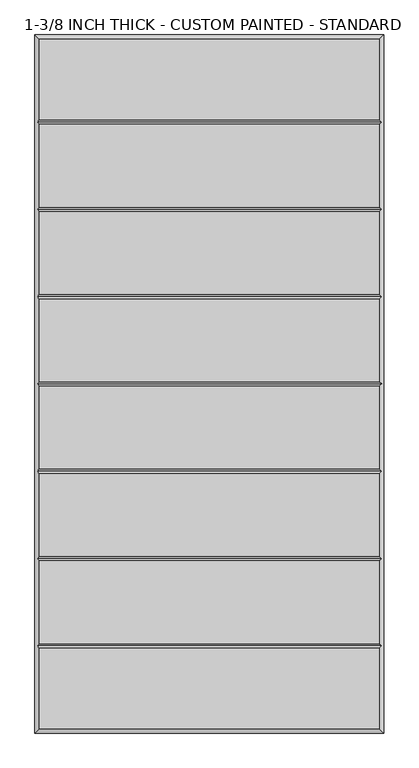
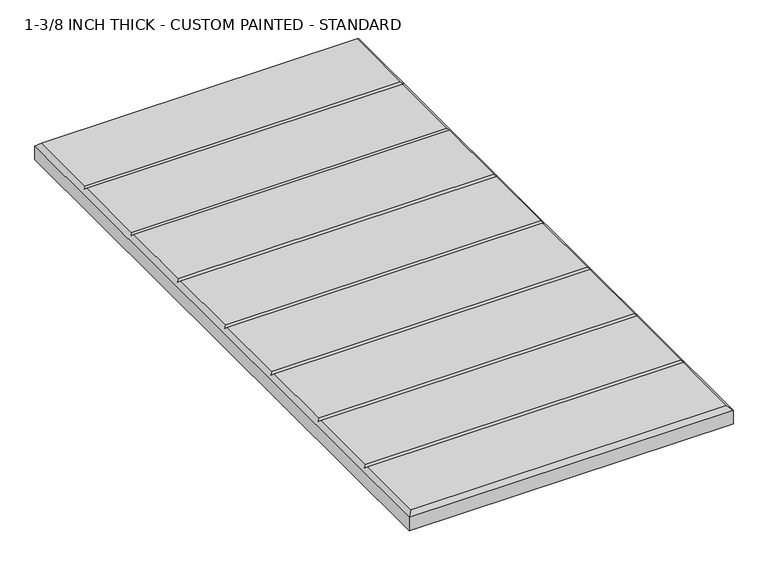
"""IFC4 building model written with IfcOpenShell, lengths in millimetres: proxy geometry, 1-3/8 INCH THICK - CUSTOM PAINTED - STANDARD."""

import ifcopenshell
import ifcopenshell.guid

model = None  # the IFC model being written
_history = None  # IfcOwnerHistory: only IFC2X3 demands one
_inside = {}  # id of a spatial element -> (the spatial element, [elements in it])
_under = {}  # id of a project, library or spatial element -> (it, [spatial elements below it])
_declared = {}  # id of a project -> (the project, [libraries it declares])
_typed = {}  # id of a type object -> (the type object, [elements of that type])
_made_of = {}  # id of a material, layer set ... -> (it, [elements and type objects made of it])


def new_model(schema):
    """Start an empty IFC model of exactly this schema.

    Asked for "IFC4X3", IfcOpenShell would pick the latest addendum, in which some entities
    have other attributes; the version numbers below select the first issue.
    IFC2X3 requires an IfcOwnerHistory on every rooted entity: one is made here for all.
    """
    global model, _history
    if schema == "IFC4X3":
        model = ifcopenshell.file(schema_version=(4, 3, 0, 0))
    else:
        model = ifcopenshell.file(schema=schema)
    _inside.clear()
    _under.clear()
    _declared.clear()
    _typed.clear()
    _made_of.clear()
    _history = None
    if model.schema == "IFC2X3":
        org = make("IfcOrganization", Name="unknown")
        user = make(
            "IfcPersonAndOrganization",
            ThePerson=make("IfcPerson", FamilyName="unknown"),
            TheOrganization=org,
        )
        app = make(
            "IfcApplication",
            ApplicationDeveloper=org,
            Version="unknown",
            ApplicationFullName="unknown",
            ApplicationIdentifier="unknown",
        )
        _history = make(
            "IfcOwnerHistory",
            OwningUser=user,
            OwningApplication=app,
            ChangeAction="ADDED",
            CreationDate=0,
        )
    return model


def make(cls, **values):
    """One entity of the class cls with the attributes given. An attribute that is None is left unset."""
    return model.create_entity(
        cls, **{name: value for name, value in values.items() if value is not None}
    )


def rooted(cls, **values):
    """An entity with a GlobalId (a new one), such as an element, a storey or a relation."""
    return make(cls, GlobalId=ifcopenshell.guid.new(), OwnerHistory=_history, **values)


def si_unit(unit_type, name, prefix=None):
    """IfcSIUnit, for example si_unit("LENGTHUNIT", "METRE", prefix="MILLI")."""
    return make("IfcSIUnit", UnitType=unit_type, Prefix=prefix, Name=name)


def assignment(units):
    """IfcUnitAssignment: the units of a project."""
    return None if units is None else make("IfcUnitAssignment", Units=units)


def point(xyz):
    """IfcCartesianPoint."""
    return None if xyz is None else make("IfcCartesianPoint", Coordinates=xyz)


def direction(xyz):
    """IfcDirection."""
    return None if xyz is None else make("IfcDirection", DirectionRatios=xyz)


def frame(location, z_axis=None, x_axis=None):
    """IfcAxis2Placement3D, a coordinate frame: its origin and axes. An axis left out is left unset."""
    return make(
        "IfcAxis2Placement3D",
        Location=point(location),
        Axis=direction(z_axis),
        RefDirection=direction(x_axis),
    )


def origin():
    """The frame at (0, 0, 0) with its axes left unset."""
    return frame((0.0, 0.0, 0.0))


def place(relative_to, where):
    """IfcLocalPlacement: puts the frame where relative to a parent placement (None: the world)."""
    return make(
        "IfcLocalPlacement", PlacementRelTo=relative_to, RelativePlacement=where
    )


def context(
    kind, dimensions, precision=None, world=None, true_north=None, identifier=None
):
    """IfcGeometricRepresentationContext, for example the 3D "Model" context."""
    return make(
        "IfcGeometricRepresentationContext",
        ContextIdentifier=identifier,
        ContextType=kind,
        CoordinateSpaceDimension=dimensions,
        Precision=precision,
        WorldCoordinateSystem=world,
        TrueNorth=true_north,
    )


def project(units=None, contexts=None):
    """IfcProject with its units and contexts."""
    return rooted(
        "IfcProject",
        Name="project",
        RepresentationContexts=contexts,
        UnitsInContext=assignment(units),
    )


def spatial(cls, under=None, at=None, **own):
    """A site, building, storey or space (cls), placed at a placement, below another one or the project."""
    s = rooted(cls, ObjectPlacement=at, **own)
    if under is not None:
        _under.setdefault(under.id(), (under, []))[1].append(s)
    return s


def faces_of(points, faces, orient=None, outer=None):
    """IfcFace entities. A face is a list of loops; a loop is a list of indices into points, from 0.

    orient and outer hold one flag for each loop. By default every Orientation is true, the
    first loop of a face is its IfcFaceOuterBound and the others are IfcFaceBound.
    """
    made = []
    for i, loops in enumerate(faces):
        bounds = []
        for j, loop in enumerate(loops):
            is_outer = j == 0 if outer is None else outer[i][j]
            bounds.append(
                make(
                    "IfcFaceOuterBound" if is_outer else "IfcFaceBound",
                    Bound=make("IfcPolyLoop", Polygon=[points[k] for k in loop]),
                    Orientation=True if orient is None else orient[i][j],
                )
            )
        made.append(make("IfcFace", Bounds=bounds))
    return made


def faceted_brep(points, faces, orient=None, outer=None, voids=None):
    """IfcFacetedBrep: a solid bounded by flat faces; with voids (closed shells), ...WithVoids."""
    shared = [point(p) for p in points]
    hull = make("IfcClosedShell", CfsFaces=faces_of(shared, faces, orient, outer))
    if voids is None:
        return make("IfcFacetedBrep", Outer=hull)
    return make(
        "IfcFacetedBrepWithVoids",
        Outer=hull,
        Voids=[
            make(cls, CfsFaces=faces_of(shared, fs, o, b)) for cls, fs, o, b in voids
        ],
    )


def shape(context_of_items, identifier, shape_type, items):
    """IfcShapeRepresentation: the items that make up one representation, for example the "Body"."""
    return make(
        "IfcShapeRepresentation",
        ContextOfItems=context_of_items,
        RepresentationIdentifier=identifier,
        RepresentationType=shape_type,
        Items=items,
    )


def source(mapping_origin, context_of_items, identifier, shape_type, items):
    """IfcRepresentationMap: a shape defined once, which mapped items show again and again."""
    return make(
        "IfcRepresentationMap",
        MappingOrigin=mapping_origin,
        MappedRepresentation=shape(context_of_items, identifier, shape_type, items),
    )


def transform(
    local_origin,
    x_axis=None,
    y_axis=None,
    z_axis=None,
    scale=None,
    scale2=None,
    scale3=None,
    uniform=True,
):
    """IfcCartesianTransformationOperator3D, or its non-uniform kind. x_axis, y_axis, z_axis: its Axis1, 2, 3."""
    if uniform:
        return make(
            "IfcCartesianTransformationOperator3D",
            Axis1=direction(x_axis),
            Axis2=direction(y_axis),
            LocalOrigin=point(local_origin),
            Scale=scale,
            Axis3=direction(z_axis),
        )
    return make(
        "IfcCartesianTransformationOperator3DnonUniform",
        Axis1=direction(x_axis),
        Axis2=direction(y_axis),
        LocalOrigin=point(local_origin),
        Scale=scale,
        Axis3=direction(z_axis),
        Scale2=scale2,
        Scale3=scale3,
    )


def mapped(mapping_source, mapping_target):
    """IfcMappedItem: shows the shape of a source again, moved by a transform."""
    return make(
        "IfcMappedItem", MappingSource=mapping_source, MappingTarget=mapping_target
    )


def made_of(thing, what):
    """Note that an element or type object is made of a material, layer set ...; save() writes the relation."""
    if what is not None:
        _made_of.setdefault(what.id(), (what, []))[1].append(thing)
    return thing


def element(
    cls,
    number,
    at=None,
    inside=None,
    cuts=None,
    type_object=None,
    material=None,
    context=None,
    identifier="Body",
    shape_type=None,
    held_by="IfcProductDefinitionShape",
    body=None,
    shapes=None,
    **own,
):
    """One element of the class cls, such as IfcWall. Its Tag is "e" and its number.

    at: its placement. inside: the storey or other place that contains it. cuts: it is an
    opening in that element (IfcRelVoidsElement). A single representation is given by context,
    identifier, shape_type and body (its items); several are given by shapes. held_by: the class
    of the entity that holds the representations. save() writes the other relations.
    """
    e = rooted(cls, Tag="e%d" % number, ObjectPlacement=at, **own)
    if body is not None:
        shapes = [shape(context, identifier, shape_type, body)]
    if shapes is not None:
        e.Representation = make(held_by, Representations=shapes)
    if inside is not None:
        _inside.setdefault(inside.id(), (inside, []))[1].append(e)
    if cuts is not None:
        rooted(
            "IfcRelVoidsElement", RelatingBuildingElement=cuts, RelatedOpeningElement=e
        )
    if type_object is not None:
        _typed.setdefault(type_object.id(), (type_object, []))[1].append(e)
    return made_of(e, material)


def aggregate(whole, parts):
    """IfcRelAggregates: a whole, such as a stair, and the parts it consists of."""
    return rooted("IfcRelAggregates", RelatingObject=whole, RelatedObjects=parts)


def save(model, path):
    """Write the relations noted so far, then the file.

    IfcRelAggregates (storeys below a building ...), IfcRelContainedInSpatialStructure (elements
    in a storey), IfcRelDefinesByType, IfcRelAssociatesMaterial and IfcRelDeclares: one each for
    every whole, place, type object, material and project.
    """
    for whole, parts in _under.values():
        aggregate(whole, parts)
    for where, things in _inside.values():
        rooted(
            "IfcRelContainedInSpatialStructure",
            RelatedElements=things,
            RelatingStructure=where,
        )
    for kind, things in _typed.values():
        rooted("IfcRelDefinesByType", RelatedObjects=things, RelatingType=kind)
    for what, things in _made_of.values():
        rooted("IfcRelAssociatesMaterial", RelatedObjects=things, RelatingMaterial=what)
    for by, libraries in _declared.values():
        rooted("IfcRelDeclares", RelatingContext=by, RelatedDefinitions=libraries)
    model.write(path)


def proxy_1_3_8_inch_thick_custom_painted_standard_185585c8(model_context):
    return source(origin(), model_context, "Body", "Brep", [
        faceted_brep([(296.799, 601.599, 34.925), (-296.799, 601.599, 34.925), (-296.799, 461.2005254, 34.925), (296.799, 461.2005254, 34.925), (-296.799, -601.599, 34.925), (296.799, -601.599, 34.925), (296.799, -461.2004746, 34.925), (-296.799, -461.2004746, 34.925), (296.799, 453.1995254, 34.925), (-296.799, 453.1995254, 34.925), (-296.799, 308.8005254, 34.925), (296.799, 308.8005254, 34.925), (296.799, -308.8005, 34.925), (-296.799, -308.8005, 34.925), (-296.799, -453.1994746, 34.925), (296.799, -453.1994746, 34.925), (-296.799, -300.7995, 34.925), (296.799, -300.7995, 34.925), (296.799, -156.4004746, 34.925), (-296.799, -156.4004746, 34.925), (296.799, 300.7995254, 34.925), (-296.799, 300.7995254, 34.925), (-296.799, 156.4005254, 34.925), (296.799, 156.4005254, 34.925), (296.799, 148.3995254, 34.925), (-296.799, 148.3995254, 34.925), (-296.799, 4.0005254, 34.925), (296.799, 4.0005254, 34.925), (296.799, -4.0004746, 34.925), (-296.799, -4.0004746, 34.925), (-296.799, -148.3994746, 34.925), (296.799, -148.3994746, 34.925), (-304.8, 609.6, 0.0), (304.8, 609.6, 0.0), (304.8, -609.6, 0.0), (-304.8, -609.6, 0.0), (-304.8, -609.6, 26.924), (-304.8, 609.6, 26.924), (304.8, -609.6, 26.924), (304.8, 609.6, 26.924), (-300.7995, -457.1999746, 30.9245), (-300.7995, -304.8, 30.9245), (-300.7995, -152.3999746, 30.9245), (-300.7995, 2.54e-05, 30.9245), (-300.7995, 152.4000254, 30.9245), (-300.7995, 304.8000254, 30.9245), (-300.7995, 457.2000254, 30.9245), (300.7995, 457.2000254, 30.9245), (300.7995, 304.8000254, 30.9245), (300.7995, 152.4000254, 30.9245), (300.7995, 2.54e-05, 30.9245), (300.7995, -152.3999746, 30.9245), (300.7995, -304.8, 30.9245), (300.7995, -457.1999746, 30.9245)], [[[0, 1, 2, 3]], [[4, 5, 6, 7]], [[8, 9, 10, 11]], [[12, 13, 14, 15]], [[16, 17, 18, 19]], [[20, 21, 22, 23]], [[24, 25, 26, 27]], [[28, 29, 30, 31]], [[32, 33, 34, 35]], [[32, 35, 36, 37]], [[35, 34, 38, 36]], [[34, 33, 39, 38]], [[33, 32, 37, 39]], [[37, 1, 0, 39]], [[1, 37, 36, 4, 7, 40, 14, 13, 41, 16, 19, 42, 30, 29, 43, 26, 25, 44, 22, 21, 45, 10, 9, 46, 2]], [[4, 36, 38, 5]], [[39, 0, 3, 47, 8, 11, 48, 20, 23, 49, 24, 27, 50, 28, 31, 51, 18, 17, 52, 12, 15, 53, 6, 5, 38]], [[47, 46, 9, 8]], [[46, 47, 3, 2]], [[52, 41, 13, 12]], [[41, 52, 17, 16]], [[53, 40, 7, 6]], [[40, 53, 15, 14]], [[48, 45, 21, 20]], [[45, 48, 11, 10]], [[49, 44, 25, 24]], [[44, 49, 23, 22]], [[50, 43, 29, 28]], [[43, 50, 27, 26]], [[51, 42, 19, 18]], [[42, 51, 31, 30]]]),
    ])


if __name__ == "__main__":
    model = new_model("IFC4")
    model_context = context("Model", 3, world=origin())
    ifc_project = project(units=[si_unit("LENGTHUNIT", "METRE", prefix="MILLI")], contexts=[model_context])
    site = spatial("IfcSite", under=ifc_project)
    building = spatial("IfcBuilding", under=site)
    placement = place(None, origin())
    proxy_1_3_8_inch_thick_custom_painted_standard_shape = proxy_1_3_8_inch_thick_custom_painted_standard_185585c8(model_context)
    element("IfcBuildingElementProxy", 1, Name="1-3/8 INCH THICK - CUSTOM PAINTED - STANDARD", ObjectType="1-3/8 INCH THICK - CUSTOM PAINTED - STANDARD", at=placement, inside=building, context=model_context, shape_type="MappedRepresentation", body=[
        mapped(proxy_1_3_8_inch_thick_custom_painted_standard_shape, transform((0.0, 0.0, 0.0), x_axis=(1.0, 0.0, 0.0), y_axis=(0.0, 1.0, 0.0), z_axis=(0.0, 0.0, 1.0))),
    ])
    save(model, "model.ifc")
